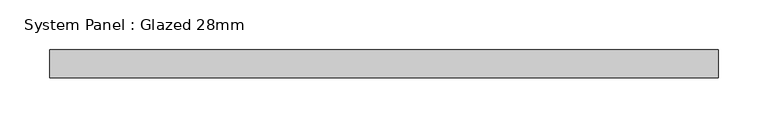
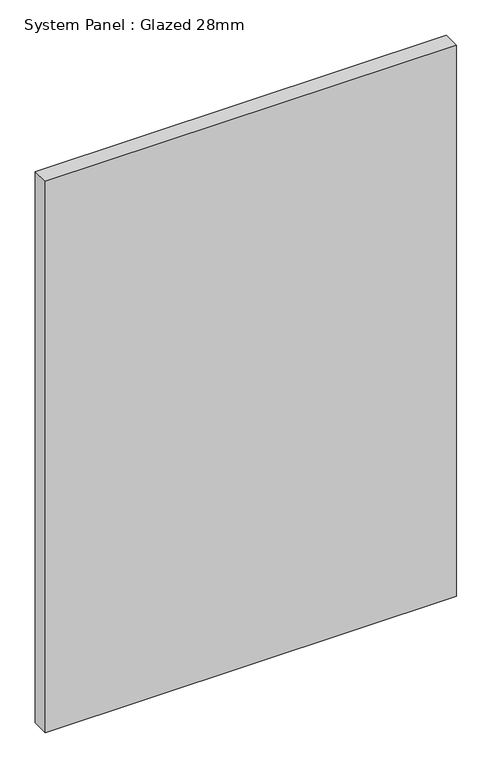
"""IFC4 building model written with IfcOpenShell, lengths in millimetres: plate geometry, System Panel : Glazed 28mm."""

from ifc_helpers import new_model, si_unit, origin, origin_with_axes, place, context, project, spatial, polyline, outline, extrude, source, transform, mapped, element, save


def system_panel_glazed_28mm_cc7348f5(model_context):
    return source(origin(), model_context, "Body", "SweptSolid", [
        extrude(outline(polyline([(334.8301869, -14.0), (-334.8301869, -14.0), (-334.8301869, 14.0), (334.8301869, 14.0), (334.8301869, -14.0)])), origin_with_axes(), (0.0, 0.0, 1.0), 948.6794583),
    ])


if __name__ == "__main__":
    model = new_model("IFC4")
    model_context = context("Model", 3, world=origin())
    ifc_project = project(units=[si_unit("LENGTHUNIT", "METRE", prefix="MILLI")], contexts=[model_context])
    site = spatial("IfcSite", under=ifc_project)
    building = spatial("IfcBuilding", under=site)
    placement = place(None, origin())
    system_panel_glazed_28mm_shape = system_panel_glazed_28mm_cc7348f5(model_context)
    element("IfcPlate", 1, ObjectType="System Panel : Glazed 28mm", at=placement, inside=building, context=model_context, shape_type="MappedRepresentation", body=[
        mapped(system_panel_glazed_28mm_shape, transform((0.0, 0.0, 0.0), x_axis=(1.0, 0.0, 0.0), y_axis=(0.0, 1.0, 0.0), z_axis=(0.0, 0.0, 1.0))),
    ])
    save(model, "model.ifc")
